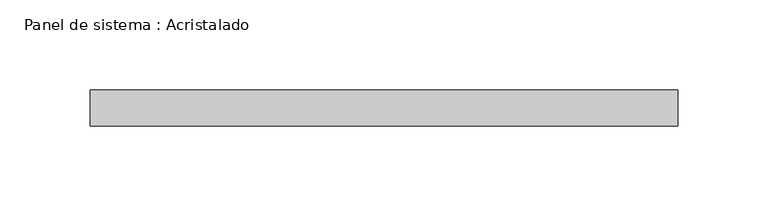
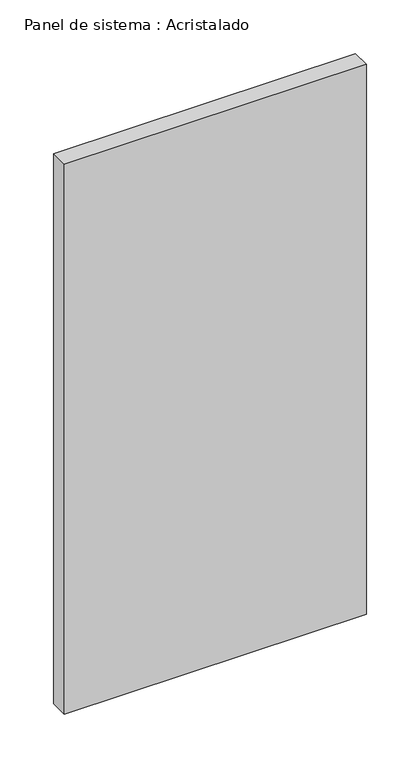
"""IFC4 building model written with IfcOpenShell, lengths in millimetres: plate geometry, Panel de sistema : Acristalado."""

import ifcopenshell
import ifcopenshell.guid

model = None  # the IFC model being written
_history = None  # IfcOwnerHistory: only IFC2X3 demands one
_inside = {}  # id of a spatial element -> (the spatial element, [elements in it])
_under = {}  # id of a project, library or spatial element -> (it, [spatial elements below it])
_declared = {}  # id of a project -> (the project, [libraries it declares])
_typed = {}  # id of a type object -> (the type object, [elements of that type])
_made_of = {}  # id of a material, layer set ... -> (it, [elements and type objects made of it])


def new_model(schema):
    """Start an empty IFC model of exactly this schema.

    Asked for "IFC4X3", IfcOpenShell would pick the latest addendum, in which some entities
    have other attributes; the version numbers below select the first issue.
    IFC2X3 requires an IfcOwnerHistory on every rooted entity: one is made here for all.
    """
    global model, _history
    if schema == "IFC4X3":
        model = ifcopenshell.file(schema_version=(4, 3, 0, 0))
    else:
        model = ifcopenshell.file(schema=schema)
    _inside.clear()
    _under.clear()
    _declared.clear()
    _typed.clear()
    _made_of.clear()
    _history = None
    if model.schema == "IFC2X3":
        org = make("IfcOrganization", Name="unknown")
        user = make(
            "IfcPersonAndOrganization",
            ThePerson=make("IfcPerson", FamilyName="unknown"),
            TheOrganization=org,
        )
        app = make(
            "IfcApplication",
            ApplicationDeveloper=org,
            Version="unknown",
            ApplicationFullName="unknown",
            ApplicationIdentifier="unknown",
        )
        _history = make(
            "IfcOwnerHistory",
            OwningUser=user,
            OwningApplication=app,
            ChangeAction="ADDED",
            CreationDate=0,
        )
    return model


def make(cls, **values):
    """One entity of the class cls with the attributes given. An attribute that is None is left unset."""
    return model.create_entity(
        cls, **{name: value for name, value in values.items() if value is not None}
    )


def rooted(cls, **values):
    """An entity with a GlobalId (a new one), such as an element, a storey or a relation."""
    return make(cls, GlobalId=ifcopenshell.guid.new(), OwnerHistory=_history, **values)


def si_unit(unit_type, name, prefix=None):
    """IfcSIUnit, for example si_unit("LENGTHUNIT", "METRE", prefix="MILLI")."""
    return make("IfcSIUnit", UnitType=unit_type, Prefix=prefix, Name=name)


def assignment(units):
    """IfcUnitAssignment: the units of a project."""
    return None if units is None else make("IfcUnitAssignment", Units=units)


def point(xyz):
    """IfcCartesianPoint."""
    return None if xyz is None else make("IfcCartesianPoint", Coordinates=xyz)


def direction(xyz):
    """IfcDirection."""
    return None if xyz is None else make("IfcDirection", DirectionRatios=xyz)


def frame(location, z_axis=None, x_axis=None):
    """IfcAxis2Placement3D, a coordinate frame: its origin and axes. An axis left out is left unset."""
    return make(
        "IfcAxis2Placement3D",
        Location=point(location),
        Axis=direction(z_axis),
        RefDirection=direction(x_axis),
    )


def origin():
    """The frame at (0, 0, 0) with its axes left unset."""
    return frame((0.0, 0.0, 0.0))


def origin_with_axes():
    """The frame at (0, 0, 0) with the z axis (0, 0, 1) and the x axis (1, 0, 0) written out."""
    return frame((0.0, 0.0, 0.0), z_axis=(0.0, 0.0, 1.0), x_axis=(1.0, 0.0, 0.0))


def place(relative_to, where):
    """IfcLocalPlacement: puts the frame where relative to a parent placement (None: the world)."""
    return make(
        "IfcLocalPlacement", PlacementRelTo=relative_to, RelativePlacement=where
    )


def context(
    kind, dimensions, precision=None, world=None, true_north=None, identifier=None
):
    """IfcGeometricRepresentationContext, for example the 3D "Model" context."""
    return make(
        "IfcGeometricRepresentationContext",
        ContextIdentifier=identifier,
        ContextType=kind,
        CoordinateSpaceDimension=dimensions,
        Precision=precision,
        WorldCoordinateSystem=world,
        TrueNorth=true_north,
    )


def project(units=None, contexts=None):
    """IfcProject with its units and contexts."""
    return rooted(
        "IfcProject",
        Name="project",
        RepresentationContexts=contexts,
        UnitsInContext=assignment(units),
    )


def spatial(cls, under=None, at=None, **own):
    """A site, building, storey or space (cls), placed at a placement, below another one or the project."""
    s = rooted(cls, ObjectPlacement=at, **own)
    if under is not None:
        _under.setdefault(under.id(), (under, []))[1].append(s)
    return s


def polyline(points):
    """IfcPolyline through the points."""
    return make("IfcPolyline", Points=[point(p) for p in points])


def outline(outer, holes=None, kind="AREA"):
    """IfcArbitraryClosedProfileDef: a profile drawn as a closed curve; with holes, ...WithVoids."""
    if holes is None:
        return make("IfcArbitraryClosedProfileDef", ProfileType=kind, OuterCurve=outer)
    return make(
        "IfcArbitraryProfileDefWithVoids",
        ProfileType=kind,
        OuterCurve=outer,
        InnerCurves=holes,
    )


def extrude(swept, where, along, depth):
    """IfcExtrudedAreaSolid: the profile swept, set in the frame where, extruded along a direction by depth."""
    return make(
        "IfcExtrudedAreaSolid",
        SweptArea=swept,
        Position=where,
        ExtrudedDirection=direction(along),
        Depth=depth,
    )


def shape(context_of_items, identifier, shape_type, items):
    """IfcShapeRepresentation: the items that make up one representation, for example the "Body"."""
    return make(
        "IfcShapeRepresentation",
        ContextOfItems=context_of_items,
        RepresentationIdentifier=identifier,
        RepresentationType=shape_type,
        Items=items,
    )


def source(mapping_origin, context_of_items, identifier, shape_type, items):
    """IfcRepresentationMap: a shape defined once, which mapped items show again and again."""
    return make(
        "IfcRepresentationMap",
        MappingOrigin=mapping_origin,
        MappedRepresentation=shape(context_of_items, identifier, shape_type, items),
    )


def transform(
    local_origin,
    x_axis=None,
    y_axis=None,
    z_axis=None,
    scale=None,
    scale2=None,
    scale3=None,
    uniform=True,
):
    """IfcCartesianTransformationOperator3D, or its non-uniform kind. x_axis, y_axis, z_axis: its Axis1, 2, 3."""
    if uniform:
        return make(
            "IfcCartesianTransformationOperator3D",
            Axis1=direction(x_axis),
            Axis2=direction(y_axis),
            LocalOrigin=point(local_origin),
            Scale=scale,
            Axis3=direction(z_axis),
        )
    return make(
        "IfcCartesianTransformationOperator3DnonUniform",
        Axis1=direction(x_axis),
        Axis2=direction(y_axis),
        LocalOrigin=point(local_origin),
        Scale=scale,
        Axis3=direction(z_axis),
        Scale2=scale2,
        Scale3=scale3,
    )


def mapped(mapping_source, mapping_target):
    """IfcMappedItem: shows the shape of a source again, moved by a transform."""
    return make(
        "IfcMappedItem", MappingSource=mapping_source, MappingTarget=mapping_target
    )


def made_of(thing, what):
    """Note that an element or type object is made of a material, layer set ...; save() writes the relation."""
    if what is not None:
        _made_of.setdefault(what.id(), (what, []))[1].append(thing)
    return thing


def element(
    cls,
    number,
    at=None,
    inside=None,
    cuts=None,
    type_object=None,
    material=None,
    context=None,
    identifier="Body",
    shape_type=None,
    held_by="IfcProductDefinitionShape",
    body=None,
    shapes=None,
    **own,
):
    """One element of the class cls, such as IfcWall. Its Tag is "e" and its number.

    at: its placement. inside: the storey or other place that contains it. cuts: it is an
    opening in that element (IfcRelVoidsElement). A single representation is given by context,
    identifier, shape_type and body (its items); several are given by shapes. held_by: the class
    of the entity that holds the representations. save() writes the other relations.
    """
    e = rooted(cls, Tag="e%d" % number, ObjectPlacement=at, **own)
    if body is not None:
        shapes = [shape(context, identifier, shape_type, body)]
    if shapes is not None:
        e.Representation = make(held_by, Representations=shapes)
    if inside is not None:
        _inside.setdefault(inside.id(), (inside, []))[1].append(e)
    if cuts is not None:
        rooted(
            "IfcRelVoidsElement", RelatingBuildingElement=cuts, RelatedOpeningElement=e
        )
    if type_object is not None:
        _typed.setdefault(type_object.id(), (type_object, []))[1].append(e)
    return made_of(e, material)


def aggregate(whole, parts):
    """IfcRelAggregates: a whole, such as a stair, and the parts it consists of."""
    return rooted("IfcRelAggregates", RelatingObject=whole, RelatedObjects=parts)


def save(model, path):
    """Write the relations noted so far, then the file.

    IfcRelAggregates (storeys below a building ...), IfcRelContainedInSpatialStructure (elements
    in a storey), IfcRelDefinesByType, IfcRelAssociatesMaterial and IfcRelDeclares: one each for
    every whole, place, type object, material and project.
    """
    for whole, parts in _under.values():
        aggregate(whole, parts)
    for where, things in _inside.values():
        rooted(
            "IfcRelContainedInSpatialStructure",
            RelatedElements=things,
            RelatingStructure=where,
        )
    for kind, things in _typed.values():
        rooted("IfcRelDefinesByType", RelatedObjects=things, RelatingType=kind)
    for what, things in _made_of.values():
        rooted("IfcRelAssociatesMaterial", RelatedObjects=things, RelatingMaterial=what)
    for by, libraries in _declared.values():
        rooted("IfcRelDeclares", RelatingContext=by, RelatedDefinitions=libraries)
    model.write(path)


def panel_de_sistema_acristalado_605f158f(model_context):
    return source(origin(), model_context, "Body", "SweptSolid", [
        extrude(outline(polyline([(162.5, -10.0), (-162.5, -10.0), (-162.5, 10.0), (162.5, 10.0), (162.5, -10.0)])), origin_with_axes(), (0.0, 0.0, 1.0), 625.0),
    ])


if __name__ == "__main__":
    model = new_model("IFC4")
    model_context = context("Model", 3, world=origin())
    ifc_project = project(units=[si_unit("LENGTHUNIT", "METRE", prefix="MILLI")], contexts=[model_context])
    site = spatial("IfcSite", under=ifc_project)
    building = spatial("IfcBuilding", under=site)
    placement = place(None, origin())
    panel_de_sistema_acristalado_shape = panel_de_sistema_acristalado_605f158f(model_context)
    element("IfcPlate", 1, ObjectType="Panel de sistema : Acristalado", at=placement, inside=building, context=model_context, shape_type="MappedRepresentation", body=[
        mapped(panel_de_sistema_acristalado_shape, transform((0.0, 0.0, 0.0), x_axis=(1.0, 0.0, 0.0), y_axis=(0.0, 1.0, 0.0), z_axis=(0.0, 0.0, 1.0))),
    ])
    save(model, "model.ifc")
